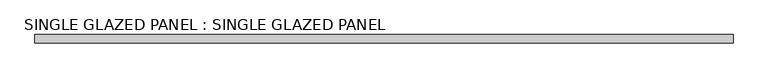
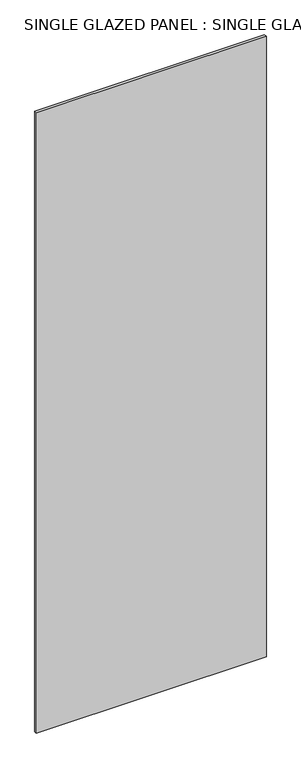
"""IFC4 building model written with IfcOpenShell, lengths in millimetres: plate geometry, SINGLE GLAZED PANEL : SINGLE GLAZED PANEL."""

from ifc_helpers import new_model, si_unit, origin, origin_with_axes, place, context, project, spatial, polyline, outline, extrude, source, transform, mapped, element, save


def single_glazed_panel_single_glazed_panel_7e56bb8b(model_context):
    return source(origin(), model_context, "Body", "SweptSolid", [
        extrude(outline(polyline([(533.4, 6.35), (533.4, -6.35), (-533.4, -6.35), (-533.4, 6.35), (533.4, 6.35)])), origin_with_axes(), (0.0, 0.0, 1.0), 3041.65),
    ])


if __name__ == "__main__":
    model = new_model("IFC4")
    model_context = context("Model", 3, world=origin())
    ifc_project = project(units=[si_unit("LENGTHUNIT", "METRE", prefix="MILLI")], contexts=[model_context])
    site = spatial("IfcSite", under=ifc_project)
    building = spatial("IfcBuilding", under=site)
    placement = place(None, origin())
    single_glazed_panel_single_glazed_panel_shape = single_glazed_panel_single_glazed_panel_7e56bb8b(model_context)
    element("IfcPlate", 1, ObjectType="SINGLE GLAZED PANEL : SINGLE GLAZED PANEL", at=placement, inside=building, context=model_context, shape_type="MappedRepresentation", body=[
        mapped(single_glazed_panel_single_glazed_panel_shape, transform((0.0, 0.0, 0.0), x_axis=(1.0, 0.0, 0.0), y_axis=(0.0, 1.0, 0.0), z_axis=(0.0, 0.0, 1.0))),
    ])
    save(model, "model.ifc")
